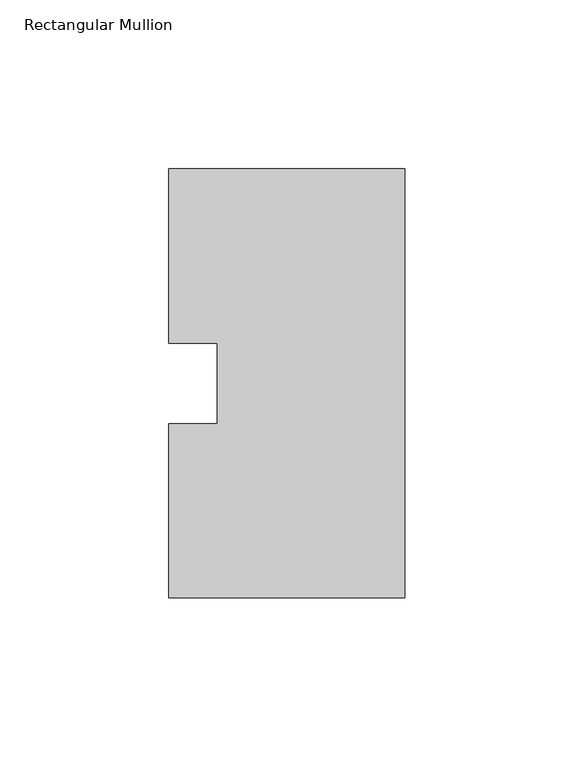
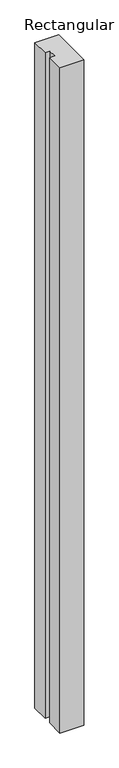
"""IFC4 building model written with IfcOpenShell, lengths in millimetres: member geometry, Rectangular Mullion."""

from ifc_helpers import new_model, si_unit, frame, origin, place, context, project, spatial, polyline, outline, extrude, source, transform, mapped, element, save


def rectangular_mullion_e6c4da72(model_context):
    return source(origin(), model_context, "Body", "SweptSolid", [
        extrude(outline(polyline([(0.0, 127.00635), (0.0, 0.00635), (-69.85, 0.00635), (-69.85, 51.60645), (-55.5625, 51.60645), (-55.5625, 75.40625), (-69.85, 75.40625), (-69.85, 127.00635), (0.0, 127.00635)])), frame((0.0, 0.0, -2060.575), z_axis=(0.0, 0.0, 1.0), x_axis=(1.0, 0.0, 0.0)), (0.0, 0.0, 1.0), 2060.575),
    ])


if __name__ == "__main__":
    model = new_model("IFC4")
    model_context = context("Model", 3, world=origin())
    ifc_project = project(units=[si_unit("LENGTHUNIT", "METRE", prefix="MILLI")], contexts=[model_context])
    site = spatial("IfcSite", under=ifc_project)
    building = spatial("IfcBuilding", under=site)
    placement = place(None, origin())
    rectangular_mullion_shape = rectangular_mullion_e6c4da72(model_context)
    element("IfcMember", 1, ObjectType="Rectangular Mullion", at=placement, inside=building, context=model_context, shape_type="MappedRepresentation", body=[
        mapped(rectangular_mullion_shape, transform((0.0, 0.0, 0.0), x_axis=(1.0, 0.0, 0.0), y_axis=(0.0, 1.0, 0.0), z_axis=(0.0, 0.0, 1.0))),
    ])
    save(model, "model.ifc")
